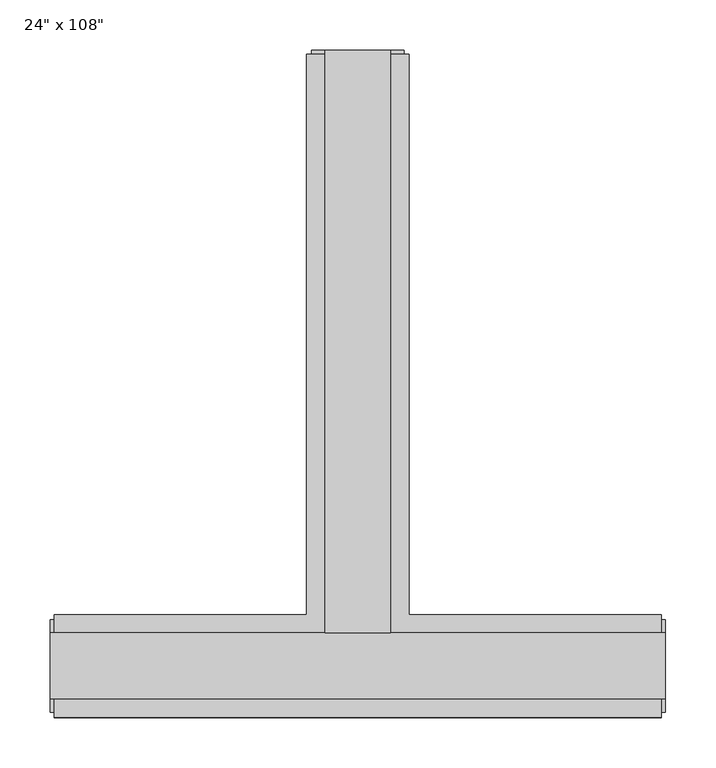
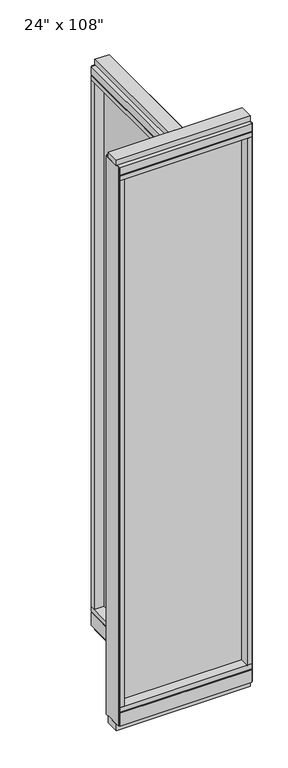
"""IFC4 building model written with IfcOpenShell, lengths in millimetres: furniture geometry."""

from ifc_helpers import new_model, si_unit, frame, origin, origin_with_axes, place, context, project, spatial, polyline, outline, extrude, faceted_brep, source, transform, mapped, element, save


def furniture_79ec63b0(model_context):
    return source(origin(), model_context, "Body", "SolidModel", [
        extrude(outline(polyline([(-65.1165229, 0.5622784), (-65.1165229, 578.9202784), (-54.9565229, 578.9202784), (-54.9565229, 0.5622784), (-65.1165229, 0.5622784)])), frame((0.0, 0.0, 120.65), z_axis=(0.0, 0.0, 1.0), x_axis=(1.0, 0.0, 0.0)), (0.0, 0.0, 1.0), 2533.777),
        extrude(outline(polyline([(218.6014771, -9.5977216), (-338.6745229, -9.5977216), (-338.6745229, 0.5622784), (218.6014771, 0.5622784), (218.6014771, -9.5977216)])), frame((0.0, 0.0, 120.523), z_axis=(0.0, 0.0, 1.0), x_axis=(1.0, 0.0, 0.0)), (0.0, 0.0, 1.0), 2533.777),
        extrude(outline(polyline([(-110.8365229, 601.1452784), (-9.2365229, 601.1452784), (-9.2365229, 46.2822784), (240.8264771, 46.2822784), (240.8264771, -55.3177216), (-360.8995229, -55.3177216), (-360.8995229, 46.2822784), (-110.8365229, 46.2822784), (-110.8365229, 601.1452784)])), frame((0.0, 0.0, 2654.3), z_axis=(0.0, 0.0, 1.0), x_axis=(1.0, 0.0, 0.0)), (0.0, 0.0, 1.0), 22.225),
        faceted_brep([(-105.8835229, 46.2822784, 2681.478), (-105.8835229, 46.2822784, 2676.525), (-14.1895229, 46.2822784, 2676.525), (-14.1895229, 46.2822784, 2681.478), (-9.2365229, 601.1452784, 2681.478), (-14.1895229, 601.1452784, 2681.478), (-14.1895229, 601.1452784, 2676.525), (-105.8835229, 601.1452784, 2676.525), (-105.8835229, 601.1452784, 2681.478), (-110.8365229, 601.1452784, 2681.478), (-110.8365229, 601.1452784, 2717.8), (-9.2365229, 601.1452784, 2717.8), (-9.2365229, 46.2822784, 2681.478), (240.8264771, 46.2822784, 2681.478), (240.8264771, 41.3292784, 2681.478), (-360.8995229, 41.3292784, 2681.478), (-360.8995229, 46.2822784, 2681.478), (-110.8365229, 46.2822784, 2681.478), (-110.8365229, 46.2822784, 2717.8), (-360.8995229, 46.2822784, 2717.8), (-360.8995229, -55.3177216, 2717.8), (240.8264771, -55.3177216, 2717.8), (240.8264771, 46.2822784, 2717.8), (-9.2365229, 46.2822784, 2717.8), (-360.8995229, -55.3177216, 2681.478), (-360.8995229, 41.3292784, 2676.525), (-360.8995229, -50.3647216, 2676.525), (-360.8995229, -50.3647216, 2681.478), (240.8264771, -55.3177216, 2681.478), (240.8264771, -50.3647216, 2681.478), (240.8264771, -50.3647216, 2676.525), (240.8264771, 41.3292784, 2676.525)], [[[0, 1, 2, 3]], [[4, 5, 6, 7, 8, 9, 10, 11]], [[5, 4, 12, 13, 14, 15, 16, 17, 9, 8, 0, 3]], [[3, 2, 6, 5]], [[2, 1, 7, 6]], [[1, 0, 8, 7]], [[10, 9, 17, 18]], [[11, 10, 18, 19, 20, 21, 22, 23]], [[4, 11, 23, 12]], [[24, 20, 19, 16, 15, 25, 26, 27]], [[28, 29, 30, 31, 14, 13, 22, 21]], [[24, 27, 29, 28]], [[16, 19, 18, 17]], [[22, 13, 12, 23]], [[20, 24, 28, 21]], [[25, 15, 14, 31]], [[26, 25, 31, 30]], [[27, 26, 30, 29]]]),
        faceted_brep([(-14.1895229, 46.2822784, 93.345), (-14.1895229, 46.2822784, 98.298), (-105.8835229, 46.2822784, 98.298), (-105.8835229, 46.2822784, 93.345), (-9.2365229, 601.1452784, 93.345), (-9.2365229, 601.1452784, 31.75), (-110.8365229, 601.1452784, 31.75), (-110.8365229, 601.1452784, 93.345), (-105.8835229, 601.1452784, 93.345), (-105.8835229, 601.1452784, 98.298), (-14.1895229, 601.1452784, 98.298), (-14.1895229, 601.1452784, 93.345), (-110.8365229, 46.2822784, 93.345), (-360.8995229, 46.2822784, 93.345), (-360.8995229, 41.3292784, 93.345), (240.8264771, 41.3292784, 93.345), (240.8264771, 46.2822784, 93.345), (-9.2365229, 46.2822784, 93.345), (-110.8365229, 46.2822784, 31.75), (-9.2365229, 46.2822784, 31.75), (240.8264771, 46.2822784, 31.75), (240.8264771, -55.3177216, 31.75), (-360.8995229, -55.3177216, 31.75), (-360.8995229, 46.2822784, 31.75), (240.8264771, -55.3177216, 93.345), (240.8264771, 41.3292784, 98.298), (240.8264771, -50.3647216, 98.298), (240.8264771, -50.3647216, 93.345), (-360.8995229, -55.3177216, 93.345), (-360.8995229, -50.3647216, 93.345), (-360.8995229, -50.3647216, 98.298), (-360.8995229, 41.3292784, 98.298)], [[[0, 1, 2, 3]], [[4, 5, 6, 7, 8, 9, 10, 11]], [[4, 11, 0, 3, 8, 7, 12, 13, 14, 15, 16, 17]], [[1, 0, 11, 10]], [[2, 1, 10, 9]], [[3, 2, 9, 8]], [[7, 6, 18, 12]], [[6, 5, 19, 20, 21, 22, 23, 18]], [[5, 4, 17, 19]], [[24, 21, 20, 16, 15, 25, 26, 27]], [[28, 29, 30, 31, 14, 13, 23, 22]], [[24, 27, 29, 28]], [[16, 20, 19, 17]], [[23, 13, 12, 18]], [[21, 24, 28, 22]], [[25, 15, 14, 31]], [[26, 25, 31, 30]], [[27, 26, 30, 29]]]),
        extrude(outline(polyline([(-110.8365229, 601.1452784), (-9.2365229, 601.1452784), (-9.2365229, 46.2822784), (240.8264771, 46.2822784), (240.8264771, -55.3177216), (-360.8995229, -55.3177216), (-360.8995229, 46.2822784), (-110.8365229, 46.2822784), (-110.8365229, 601.1452784)])), frame((0.0, 0.0, 98.298), z_axis=(0.0, 0.0, 1.0), x_axis=(1.0, 0.0, 0.0)), (0.0, 0.0, 1.0), 22.225),
        extrude(outline(polyline([(-27.5245229, 27.9942784), (-92.5485229, 27.9942784), (-92.5485229, 605.0822784), (-27.5245229, 605.0822784), (-27.5245229, 27.9942784)])), origin_with_axes(), (0.0, 0.0, 1.0), 31.75),
        extrude(outline(polyline([(-9.2365229, 601.1452784), (-9.2365229, 578.9202784), (-110.8365229, 578.9202784), (-110.8365229, 601.1452784), (-9.2365229, 601.1452784)])), frame((0.0, 0.0, 120.523), z_axis=(0.0, 0.0, 1.0), x_axis=(1.0, 0.0, 0.0)), (0.0, 0.0, 1.0), 2533.777),
        extrude(outline(polyline([(-14.1895229, 605.0822784), (-14.1895229, 601.1452784), (-105.8835229, 601.1452784), (-105.8835229, 605.0822784), (-14.1895229, 605.0822784)])), frame((0.0, 0.0, 31.75), z_axis=(0.0, 0.0, 1.0), x_axis=(1.0, 0.0, 0.0)), (0.0, 0.0, 1.0), 2686.05),
        extrude(outline(polyline([(-27.5245229, 27.9942784), (-92.5485229, 27.9942784), (-92.5485229, 605.0822784), (-27.5245229, 605.0822784), (-27.5245229, 27.9942784)])), frame((0.0, 0.0, 2717.8), z_axis=(0.0, 0.0, 1.0), x_axis=(1.0, 0.0, 0.0)), (0.0, 0.0, 1.0), 25.4),
        extrude(outline(polyline([(244.7634771, 27.9942784), (244.7634771, -37.0297216), (-364.8365229, -37.0297216), (-364.8365229, 27.9942784), (244.7634771, 27.9942784)])), origin_with_axes(), (0.0, 0.0, 1.0), 31.75),
        extrude(outline(polyline([(-364.8365229, -37.0297216), (-364.8365229, 27.9942784), (244.7634771, 27.9942784), (244.7634771, -37.0297216), (-364.8365229, -37.0297216)])), frame((0.0, 0.0, 2717.8), z_axis=(0.0, 0.0, 1.0), x_axis=(1.0, 0.0, 0.0)), (0.0, 0.0, 1.0), 25.4),
        extrude(outline(polyline([(218.6014771, -55.3177216), (218.6014771, 46.2822784), (240.8264771, 46.2822784), (240.8264771, -55.3177216), (218.6014771, -55.3177216)])), frame((0.0, 0.0, 120.523), z_axis=(0.0, 0.0, 1.0), x_axis=(1.0, 0.0, 0.0)), (0.0, 0.0, 1.0), 2533.777),
        extrude(outline(polyline([(-338.6745229, -55.3177216), (-360.8995229, -55.3177216), (-360.8995229, 46.2822784), (-338.6745229, 46.2822784), (-338.6745229, -55.3177216)])), frame((0.0, 0.0, 120.523), z_axis=(0.0, 0.0, 1.0), x_axis=(1.0, 0.0, 0.0)), (0.0, 0.0, 1.0), 2533.777),
        extrude(outline(polyline([(244.7634771, -50.3647216), (240.8264771, -50.3647216), (240.8264771, 41.3292784), (244.7634771, 41.3292784), (244.7634771, -50.3647216)])), frame((0.0, 0.0, 31.75), z_axis=(0.0, 0.0, 1.0), x_axis=(1.0, 0.0, 0.0)), (0.0, 0.0, 1.0), 2686.05),
        extrude(outline(polyline([(-364.8365229, -50.3647216), (-364.8365229, 41.3292784), (-360.8995229, 41.3292784), (-360.8995229, -50.3647216), (-364.8365229, -50.3647216)])), frame((0.0, 0.0, 31.75), z_axis=(0.0, 0.0, 1.0), x_axis=(1.0, 0.0, 0.0)), (0.0, 0.0, 1.0), 2686.05),
    ])


if __name__ == "__main__":
    model = new_model("IFC4")
    model_context = context("Model", 3, world=origin())
    ifc_project = project(units=[si_unit("LENGTHUNIT", "METRE", prefix="MILLI")], contexts=[model_context])
    site = spatial("IfcSite", under=ifc_project)
    building = spatial("IfcBuilding", under=site)
    placement = place(None, origin())
    furniture_shape = furniture_79ec63b0(model_context)
    element("IfcFurniture", 1, ObjectType="24\" x 108\"", at=placement, inside=building, context=model_context, shape_type="MappedRepresentation", body=[
        mapped(furniture_shape, transform((0.0, 0.0, 0.0), x_axis=(1.0, 0.0, 0.0), y_axis=(0.0, 1.0, 0.0), z_axis=(0.0, 0.0, 1.0))),
    ])
    save(model, "model.ifc")
